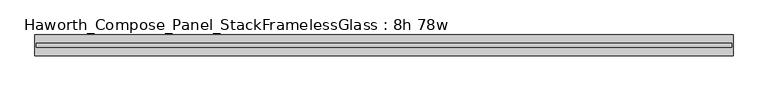
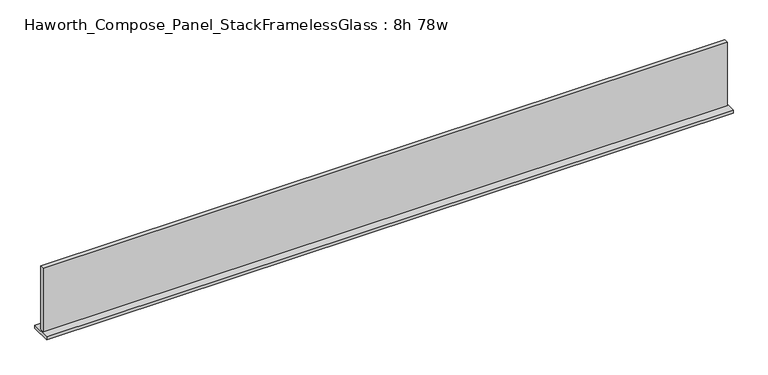
"""IFC4 building model written with IfcOpenShell, lengths in millimetres: furniture geometry, Haworth_Compose_Panel_StackFramelessGlass : 8h 78w."""

from ifc_helpers import new_model, si_unit, frame, origin, place, context, project, spatial, polyline, outline, extrude, source, transform, mapped, element, save


def haworth_compose_panel_stackframelessglass_8h_78w_7a7529b2(model_context):
    return source(origin(), model_context, "Body", "SweptSolid", [
        extrude(outline(polyline([(989.8652902, -27.3093594), (-984.9847098, -27.3093594), (-984.9847098, -14.6093594), (989.8652902, -14.6093594), (989.8652902, -27.3093594)])), frame((0.0, 0.0, 1279.525), z_axis=(0.0, 0.0, 1.0), x_axis=(1.0, 0.0, 0.0)), (0.0, 0.0, 1.0), 193.675),
        extrude(outline(polyline([(-988.1597098, -50.3281094), (-988.1597098, 8.4093906), (993.0402902, 8.4093906), (993.0402902, -50.3281094), (-988.1597098, -50.3281094)])), frame((0.0, 0.0, 1270.0), z_axis=(0.0, 0.0, 1.0), x_axis=(1.0, 0.0, 0.0)), (0.0, 0.0, 1.0), 9.525),
    ])


if __name__ == "__main__":
    model = new_model("IFC4")
    model_context = context("Model", 3, world=origin())
    ifc_project = project(units=[si_unit("LENGTHUNIT", "METRE", prefix="MILLI")], contexts=[model_context])
    site = spatial("IfcSite", under=ifc_project)
    building = spatial("IfcBuilding", under=site)
    placement = place(None, origin())
    haworth_compose_panel_stackframelessglass_8h_78w_shape = haworth_compose_panel_stackframelessglass_8h_78w_7a7529b2(model_context)
    element("IfcFurniture", 1, ObjectType="Haworth_Compose_Panel_StackFramelessGlass : 8h 78w", at=placement, inside=building, context=model_context, shape_type="MappedRepresentation", body=[
        mapped(haworth_compose_panel_stackframelessglass_8h_78w_shape, transform((0.0, 0.0, 0.0), x_axis=(1.0, 0.0, 0.0), y_axis=(0.0, 1.0, 0.0), z_axis=(0.0, 0.0, 1.0))),
    ])
    save(model, "model.ifc")
